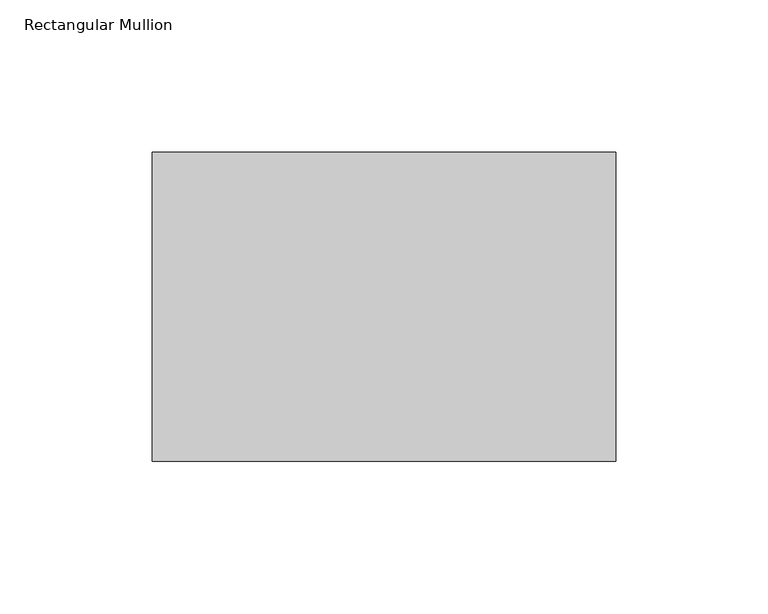
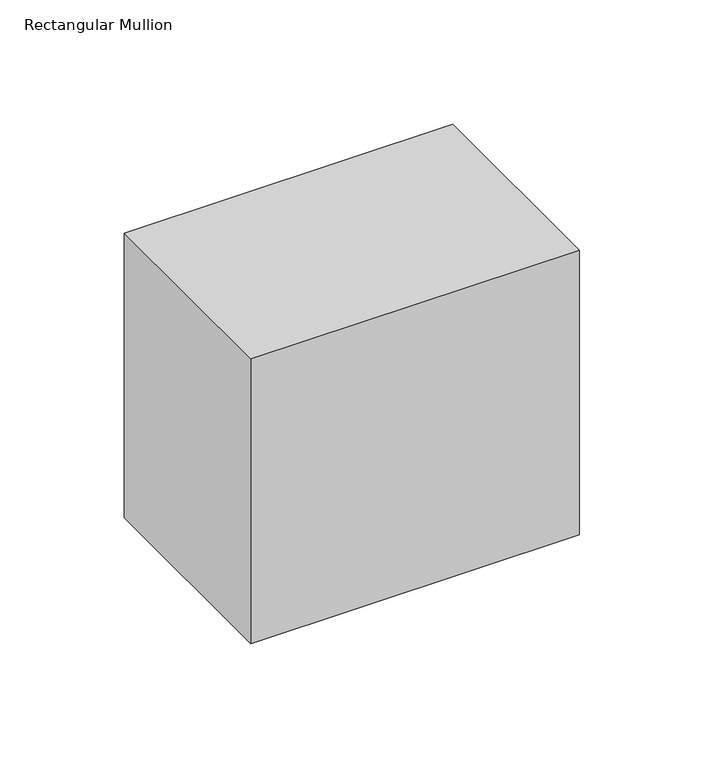
"""IFC4 building model written with IfcOpenShell, lengths in millimetres: member geometry, Rectangular Mullion."""

from ifc_helpers import new_model, si_unit, frame, origin, place, context, project, spatial, polyline, outline, extrude, source, transform, mapped, element, save


def rectangular_mullion_31368c2c(model_context):
    return source(origin(), model_context, "Body", "SweptSolid", [
        extrude(outline(polyline([(0.0, 82.55), (0.0, -19.05), (-152.4, -19.05), (-152.4, 82.55), (0.0, 82.55)])), frame((0.0, 0.0, -139.7), z_axis=(0.0, 0.0, 1.0), x_axis=(1.0, 0.0, 0.0)), (0.0, 0.0, 1.0), 139.7),
    ])


if __name__ == "__main__":
    model = new_model("IFC4")
    model_context = context("Model", 3, world=origin())
    ifc_project = project(units=[si_unit("LENGTHUNIT", "METRE", prefix="MILLI")], contexts=[model_context])
    site = spatial("IfcSite", under=ifc_project)
    building = spatial("IfcBuilding", under=site)
    placement = place(None, origin())
    rectangular_mullion_shape = rectangular_mullion_31368c2c(model_context)
    element("IfcMember", 1, ObjectType="Rectangular Mullion", at=placement, inside=building, context=model_context, shape_type="MappedRepresentation", body=[
        mapped(rectangular_mullion_shape, transform((0.0, 0.0, 0.0), x_axis=(1.0, 0.0, 0.0), y_axis=(0.0, 1.0, 0.0), z_axis=(0.0, 0.0, 1.0))),
    ])
    save(model, "model.ifc")
